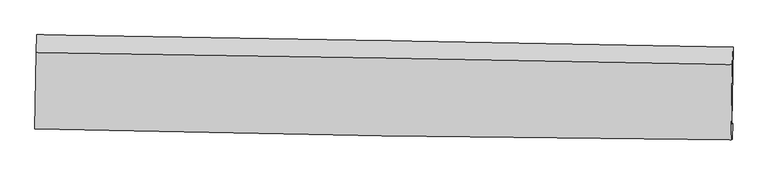
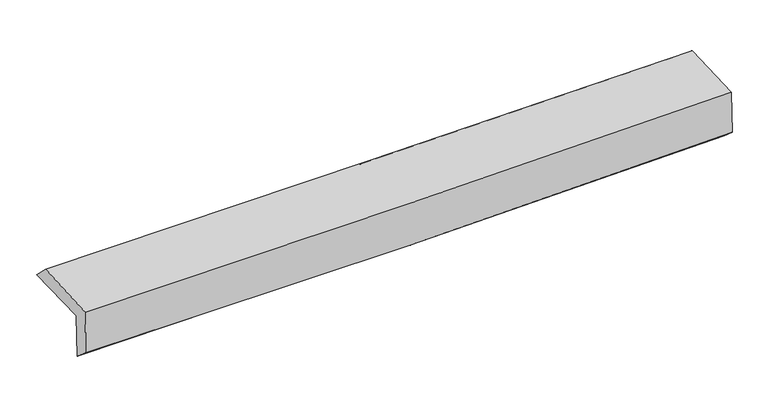
"""IFC4 building model written with IfcOpenShell, lengths in millimetres: proxy geometry."""

from ifc_helpers import new_model, si_unit, frame, origin, place, context, project, spatial, source, transform, mapped, element, save
from ifc_brep_helpers import plane_surface, spline_curve, spline_surface, advanced_brep


def generic_models_db8c53d9(model_context):
    return source(origin(), model_context, "Body", "AdvancedBrep", [
        advanced_brep(
        [(-3015.1880537, -1747.2022161, 1964.4365528), (-3004.2562902, -1082.2764206, 1966.4355487), (3003.6390381, -1190.0992752, 2119.4928369), (2992.0891075, -1852.4619167, 2112.5228852), (-3005.956427, -1743.1003578, 1559.3344074), (3001.3207342, -1848.3600584, 1707.4207398), (-3011.2518084, -1891.9472256, 1684.7975139), (2996.2037973, -1987.1277866, 1825.2549561), (-3020.5949142, -1896.0986171, 2094.7915847), (2987.0296164, -1991.2041203, 2227.8362654), (-3010.2434393, -1237.0425336, 2118.1593494), (2998.2476128, -1339.5580308, 2241.1095627)],
        [
            (0, 1),
            (1, 2, spline_curve(3, [(-3004.2562902, -1082.2764206, 1966.4355487), (-2002.832948558, -1096.472920897, 1990.259074128), (-1001.466410685, -1112.556342018, 2014.925527316), (1001.165366466, -1148.497246889, 2065.944602467), (2002.430604974, -1168.354777565, 2092.297245419), (3003.6390381, -1190.0992752, 2119.4928369)], [4, 2, 4], [0.0, 9.859598937267798, 19.719319077406688])),
            (2, 3),
            (3, 0, spline_curve(3, [(2992.0891075, -1852.4619167, 2112.5228852), (1991.108021116, -1833.570024751, 2078.804108461), (990.007970063, -1815.352387355, 2049.604144219), (-1012.417753349, -1780.265837101, 2000.24214458), (-2013.743422555, -1763.396907744, 1980.079997882), (-3015.1880537, -1747.2022161, 1964.4365528)], [4, 2, 4], [0.0, 9.85972014013889, 19.719319077406688])),
            (4, 0),
            (3, 5),
            (5, 4, spline_curve(3, [(3001.3207342, -1848.3600584, 1707.4207398), (2000.339647816, -1829.468166459, 1673.70196285), (999.239596684, -1811.250529082, 1644.501998872), (-1003.18612657, -1776.163978574, 1595.139999126), (-2004.511796013, -1759.295049376, 1574.977852371), (-3005.956427, -1743.1003578, 1559.3344074)], [4, 2, 4], [0.0, 9.859144867838644, 19.718168539877862])),
            (6, 4),
            (5, 7),
            (7, 6, spline_curve(3, [(2996.2037973, -1987.1277866, 1825.2549561), (1995.081236203, -1979.887722566, 1790.125782138), (993.895577725, -1968.335901677, 1760.856372713), (-1008.589625445, -1936.608942129, 1714.037369055), (-2009.889169193, -1916.43390896, 1696.487631601), (-3011.2518084, -1891.9472256, 1684.7975139)], [4, 2, 4], [0.0, 9.859024504716068, 19.7179278151123])),
            (8, 6),
            (7, 9),
            (9, 8, spline_curve(3, [(2987.0296164, -1991.2041203, 2227.8362654), (1985.706647816, -1984.053102544, 2201.501368908), (984.406709288, -1972.552059699, 2177.246808455), (-1018.134800462, -1940.850118154, 2132.898632926), (-2019.376371811, -1920.64932681, 2112.804966149), (-3020.5949142, -1896.0986171, 2094.7915847)], [4, 2, 4], [0.0, 9.858906393589606, 19.717691594311283])),
            (10, 8),
            (9, 11),
            (11, 10, spline_curve(3, [(2998.2476128, -1339.5580308, 2241.1095627), (1997.037458143, -1320.308174237, 2213.357823632), (995.721715017, -1302.140242076, 2189.236062566), (-1007.108638416, -1267.968436558, 2148.252747333), (-2008.623245749, -1251.964536104, 2131.3911042), (-3010.2434393, -1237.0425336, 2118.1593494)], [4, 2, 4], [0.0, 9.859430059931652, 19.71873892055809])),
            (1, 10),
            (11, 2),
        ],
        [
            spline_surface(3, 3, [[(-3015.1880537, -1747.2022161, 1964.4365528), (-2013.74342271, -1763.396907594, 1980.079997917), (-1012.417753302, -1780.265837091, 2000.242144544), (990.007970017, -1815.352387365, 2049.604144255), (1991.10802102, -1833.570024767, 2078.804108413), (2992.0891075, -1852.4619167, 2112.5228852)], [(-3011.544132516, -1525.560284235, 1965.10288475), (-2010.106598026, -1541.088911964, 1983.473023299), (-1008.767305794, -1557.696005381, 2005.136605428), (993.727102242, -1593.067340614, 2055.050963683), (1994.882215648, -1611.831608994, 2083.301820757), (2995.939084363, -1631.674369528, 2114.846202409)], [(-3007.900211384, -1303.918352465, 1965.76921675), (-2006.469773393, -1318.780916428, 1986.866048729), (-1005.116858353, -1335.126173589, 2010.031066337), (997.4462344, -1370.78229378, 2060.497783135), (1998.656410286, -1390.093193238, 2087.799533176), (2999.789061237, -1410.886822372, 2117.169519691)], [(-3004.2562902, -1082.2764206, 1966.4355487), (-2002.832948709, -1096.472920798, 1990.25907411), (-1001.466410845, -1112.556341878, 2014.925527221), (1001.165366626, -1148.497247029, 2065.944602563), (2002.430604914, -1168.354777464, 2092.29724552), (3003.6390381, -1190.0992752, 2119.4928369)]], [4, 4], [4, 2, 4], [0.0, 2.190138190144068], [0.0, 9.859598937267798, 19.719319077406688]),
            spline_surface(3, 3, [[(-3005.956427, -1743.1003578, 1559.3344074), (-2004.51179601, -1759.295049294, 1574.977852517), (-1003.186126602, -1776.163978691, 1595.139999144), (999.239596717, -1811.250528965, 1644.501998855), (2000.33964772, -1829.468166467, 1673.701963013), (3001.3207342, -1848.3600584, 1707.4207398)], [(-3009.033635895, -1744.467643906, 1694.368455878), (-2007.589004905, -1760.6623354, 1710.011900995), (-1006.263335497, -1777.531264797, 1730.174047622), (996.162387822, -1812.61781507, 1779.536047334), (1997.262438825, -1830.835452573, 1808.736011491), (2998.243525305, -1849.727344506, 1842.454788278)], [(-3012.110844805, -1745.834929994, 1829.402504322), (-2010.666213815, -1762.029621488, 1845.045949439), (-1009.340544407, -1778.898550986, 1865.208096065), (993.085178912, -1813.985101259, 1914.570095777), (1994.185229915, -1832.202738661, 1943.770059934), (2995.166316395, -1851.094630594, 1977.488836722)], [(-3015.1880537, -1747.2022161, 1964.4365528), (-2013.74342271, -1763.396907594, 1980.079997917), (-1012.417753302, -1780.265837091, 2000.242144544), (990.007970017, -1815.352387365, 2049.604144255), (1991.10802102, -1833.570024767, 2078.804108413), (2992.0891075, -1852.4619167, 2112.5228852)]], [4, 4], [4, 2, 4], [0.0, 1.3294884497782653], [0.0, 9.859023672039218, 19.718168539877862]),
            spline_surface(3, 3, [[(-3011.2518084, -1891.9472256, 1684.7975139), (-2009.889169059, -1916.433909119, 1696.487631526), (-1008.589625589, -1936.608942063, 1714.037369216), (993.895577869, -1968.335901744, 1760.856372553), (1995.081236285, -1979.88772245, 1790.12578226), (2996.2037973, -1987.1277866, 1825.2549561)], [(-3009.48668126, -1842.331603005, 1642.976478391), (-2008.096711369, -1864.054289182, 1655.984371847), (-1006.788459272, -1883.127287617, 1674.404912514), (995.676917473, -1915.974110829, 1722.07158131), (1996.834040091, -1929.747870436, 1751.317842509), (2997.909442927, -1940.87187718, 1785.976883998)], [(-3007.72155414, -1792.715980395, 1601.155442909), (-2006.3042537, -1811.674669231, 1615.481112196), (-1004.987292919, -1829.645633137, 1634.772455845), (997.458257113, -1863.61231988, 1683.286790099), (1998.586843915, -1879.608018481, 1712.509902764), (2999.615088573, -1894.61596782, 1746.698811902)], [(-3005.956427, -1743.1003578, 1559.3344074), (-2004.51179601, -1759.295049294, 1574.977852517), (-1003.186126602, -1776.163978691, 1595.139999144), (999.239596717, -1811.250528965, 1644.501998855), (2000.33964772, -1829.468166467, 1673.701963013), (3001.3207342, -1848.3600584, 1707.4207398)]], [4, 4], [4, 2, 4], [0.0, 0.6485042231426474], [0.0, 9.858903310396233, 19.7179278151123]),
            spline_surface(3, 3, [[(-3020.5949142, -1896.0986171, 2094.7915847), (-2019.376371881, -1920.649326774, 2112.804966259), (-1018.13480041, -1940.850118258, 2132.898632812), (984.406709236, -1972.552059595, 2177.24680857), (1985.70664794, -1984.053102531, 2201.50136891), (2987.0296164, -1991.2041203, 2227.8362654)], [(-3017.480545601, -1894.714819945, 1958.126894444), (-2016.213970941, -1919.244187568, 1974.032521359), (-1014.953075454, -1939.436392875, 1993.278211622), (987.569665463, -1971.14667366, 2038.449996573), (1988.831510715, -1982.664642533, 2064.376173368), (2990.087676693, -1989.845342429, 2093.642495642)], [(-3014.366176999, -1893.331022755, 1821.462204156), (-2013.051569998, -1917.839048326, 1835.260076426), (-1011.771350545, -1938.022667446, 1853.657790405), (990.732621643, -1969.741287679, 1899.65318455), (1991.95637351, -1981.276182448, 1927.250977802), (2993.145737007, -1988.486564471, 1959.448725858)], [(-3011.2518084, -1891.9472256, 1684.7975139), (-2009.889169059, -1916.433909119, 1696.487631526), (-1008.589625589, -1936.608942063, 1714.037369216), (993.895577869, -1968.335901744, 1760.856372553), (1995.081236285, -1979.88772245, 1790.12578226), (2996.2037973, -1987.1277866, 1825.2549561)]], [4, 4], [4, 2, 4], [0.0, 1.3705894418893876], [0.0, 9.858785200721677, 19.717691594311283]),
            spline_surface(3, 3, [[(-3010.2434393, -1237.0425336, 2118.1593494), (-2008.623245868, -1251.964536165, 2131.391104135), (-1007.108638337, -1267.968436407, 2148.252747367), (995.721714939, -1302.140242227, 2189.236062533), (1997.037458148, -1320.308174346, 2213.35782378), (2998.2476128, -1339.5580308, 2241.1095627)], [(-3013.693930957, -1456.727894768, 2110.37009448), (-2012.20762123, -1474.859466369, 2125.195724823), (-1010.784025705, -1492.262330354, 2143.134709185), (991.950046361, -1525.610848013, 2185.239644548), (1993.260521421, -1541.556483714, 2209.405672163), (2994.508280676, -1556.773393939, 2236.685130273)], [(-3017.144422543, -1676.413255932, 2102.58083962), (-2015.791996519, -1697.75439657, 2119.000345571), (-1014.459413042, -1716.55622431, 2138.016670994), (988.178377814, -1749.081453808, 2181.243226555), (1989.483584667, -1762.804793163, 2205.453520527), (2990.768948524, -1773.988757161, 2232.260697827)], [(-3020.5949142, -1896.0986171, 2094.7915847), (-2019.376371881, -1920.649326774, 2112.804966259), (-1018.13480041, -1940.850118258, 2132.898632812), (984.406709236, -1972.552059595, 2177.24680857), (1985.70664794, -1984.053102531, 2201.50136891), (2987.0296164, -1991.2041203, 2227.8362654)]], [4, 4], [4, 2, 4], [0.0, 2.2043265527371756], [0.0, 9.859308860626436, 19.71873892055809]),
            spline_surface(3, 3, [[(-3004.2562902, -1082.2764206, 1966.4355487), (-2002.832948709, -1096.472920798, 1990.25907411), (-1001.466410845, -1112.556341878, 2014.925527221), (1001.165366626, -1148.497247029, 2065.944602563), (2002.430604914, -1168.354777464, 2092.29724552), (3003.6390381, -1190.0992752, 2119.4928369)], [(-3006.252006571, -1133.865124941, 2017.010148956), (-2004.763047766, -1148.303459262, 2037.303084142), (-1003.347153363, -1164.360373365, 2059.367933932), (999.350816042, -1199.711578738, 2107.041755882), (2000.632889327, -1219.005909776, 2132.650771607), (3001.841896335, -1239.918860418, 2160.031745501)], [(-3008.247722929, -1185.453829259, 2067.584749144), (-2006.693146811, -1200.133997701, 2084.347094103), (-1005.227895819, -1216.164404921, 2103.810340656), (997.536265522, -1250.925910517, 2148.138909214), (1998.835173734, -1269.657042034, 2173.004297693), (3000.044754565, -1289.738445582, 2200.570654099)], [(-3010.2434393, -1237.0425336, 2118.1593494), (-2008.623245868, -1251.964536165, 2131.391104135), (-1007.108638337, -1267.968436407, 2148.252747367), (995.721714939, -1302.140242227, 2189.236062533), (1997.037458148, -1320.308174346, 2213.35782378), (2998.2476128, -1339.5580308, 2241.1095627)]], [4, 4], [4, 2, 4], [0.0, 0.65921825322866], [0.0, 9.860050104864145, 19.720221418145535]),
            plane_surface(frame((2996.421651, -1701.4685313, 2038.939541), z_axis=(0.999588451567281, -0.017668114438124362, 0.022600115608706006), x_axis=(0.02278131045453936, 0.01012234473454381, -0.9996892267255104))),
            plane_surface(frame((-3011.2484888, -1599.6112285, 1897.9924928), z_axis=(-0.999608103687336, 0.016502114280241613, -0.022612369776081765), x_axis=(-0.01643828101575713, -0.9998603639185472, -0.0030059244696772776))),
        ],
        [
            (0, [[1, 2, 3, 4]]),
            (1, [[5, -4, 6, 7]]),
            (2, [[8, -7, 9, 10]]),
            (3, [[11, -10, 12, 13]]),
            (4, [[14, -13, 15, 16]]),
            (5, [[17, -16, 18, -2]]),
            (6, [[-12, -9, -6, -3, -18, -15]]),
            (7, [[-1, -5, -8, -11, -14, -17]]),
        ],
    ),
    ])


if __name__ == "__main__":
    model = new_model("IFC4")
    model_context = context("Model", 3, world=origin())
    ifc_project = project(units=[si_unit("LENGTHUNIT", "METRE", prefix="MILLI")], contexts=[model_context])
    site = spatial("IfcSite", under=ifc_project)
    building = spatial("IfcBuilding", under=site)
    placement = place(None, origin())
    generic_models_shape = generic_models_db8c53d9(model_context)
    element("IfcBuildingElementProxy", 1, Name="Generic Models", at=placement, inside=building, context=model_context, shape_type="MappedRepresentation", body=[
        mapped(generic_models_shape, transform((0.0, 0.0, 0.0), x_axis=(1.0, 0.0, 0.0), y_axis=(0.0, 1.0, 0.0), z_axis=(0.0, 0.0, 1.0))),
    ])
    save(model, "model.ifc")
